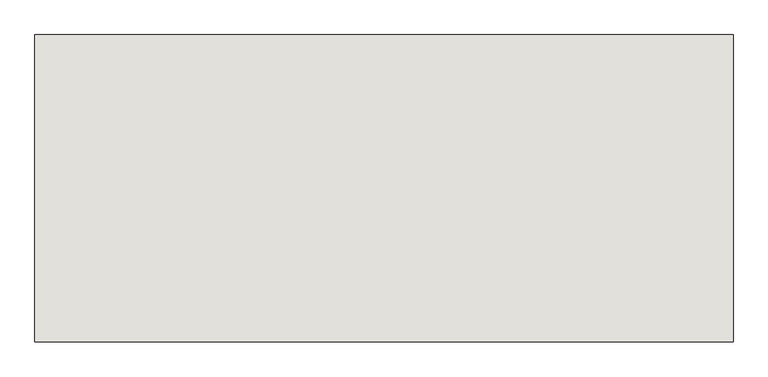
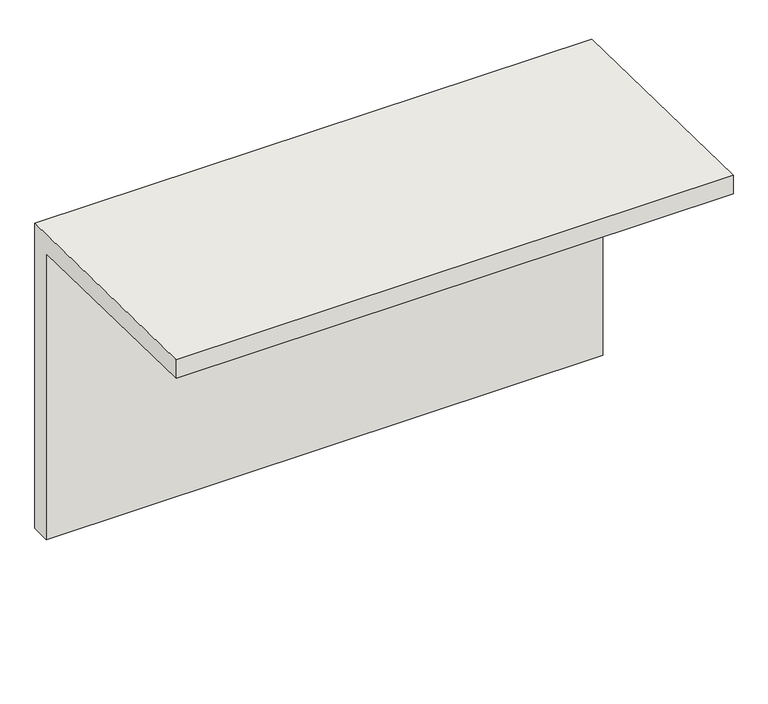
"""IFC4 building model written with IfcOpenShell, lengths in millimetres: wall geometry."""

from ifc_helpers import new_model, si_unit, frame, origin, place, context, project, spatial, polyline, outline, extrude, source, transform, mapped, element, save


def wall_58513405(model_context):
    return source(origin(), model_context, "Body", "SweptSolid", [
        extrude(outline(polyline([(93269.9313244, -3053.75), (93269.9313244, -5373.75), (93128.5807475, -5373.75), (93128.5807475, -3199.4598924), (91507.2177292, -3161.9649477), (91507.2177292, -3021.9649477), (93269.9313244, -3053.75)])), frame((-25260.0690036, 0.0, 0.0), z_axis=(1.0, 0.0, 0.0), x_axis=(0.0, 1.0, 0.0)), (0.0, 0.0, 1.0), 4005.6116882),
    ])


if __name__ == "__main__":
    model = new_model("IFC4")
    model_context = context("Model", 3, world=origin())
    ifc_project = project(units=[si_unit("LENGTHUNIT", "METRE", prefix="MILLI")], contexts=[model_context])
    site = spatial("IfcSite", under=ifc_project)
    building = spatial("IfcBuilding", under=site)
    placement = place(None, origin())
    wall_shape = wall_58513405(model_context)
    element("IfcWall", 1, at=placement, inside=building, context=model_context, shape_type="MappedRepresentation", body=[
        mapped(wall_shape, transform((0.0, 0.0, 0.0), x_axis=(1.0, 0.0, 0.0), y_axis=(0.0, 1.0, 0.0), z_axis=(0.0, 0.0, 1.0))),
    ])
    save(model, "model.ifc")
